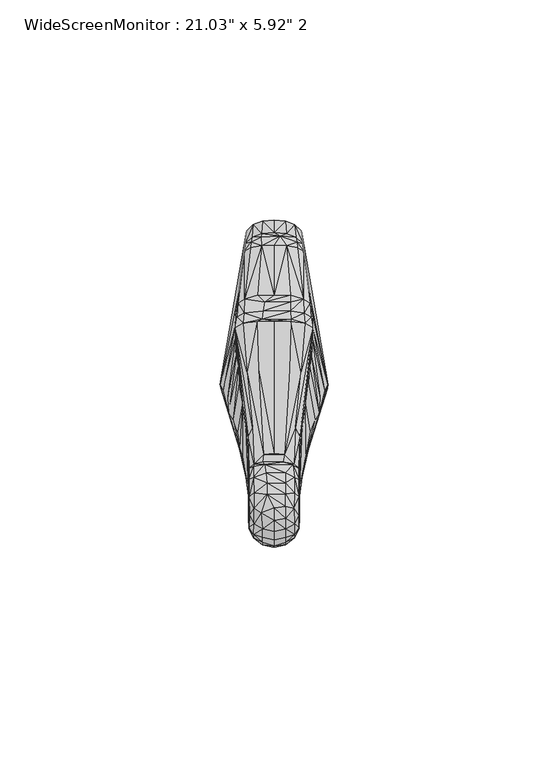
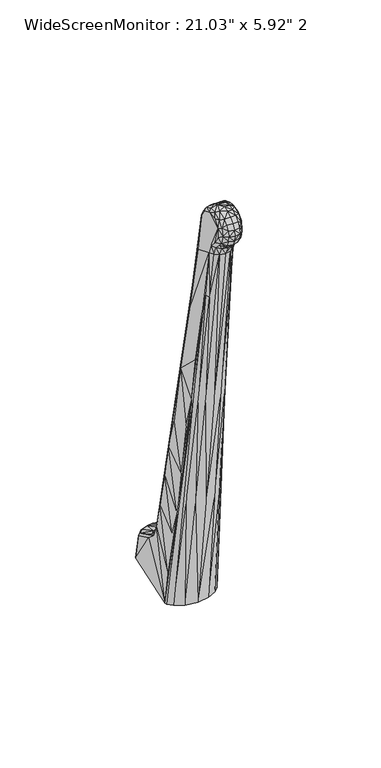
"""IFC4 building model written with IfcOpenShell, lengths in millimetres: furniture geometry."""

from ifc_helpers import new_model, si_unit, origin, place, context, project, spatial, triangles, source, transform, mapped, element, save


def furniture_ac01dfe3(model_context):
    return source(origin(), model_context, "Body", "Tessellation", [
        triangles([(-4.6220607, -2.2012503, 216.78833), (-2.6071259, -1.0012504, 220.0883284), (-4.5220609, 0.0987495, 219.4883287), (-4.6220607, -3.0012504, 212.8883318), (-2.6071259, -4.6012504, 212.9883257), (-2.6071259, -4.1012503, 215.6883245), (-3.0071259, 2.6987494, 221.8883276), (-4.5220609, 3.6987494, 221.288346), (-1.6071261, 6.8091473, 222.1883456), (-4.5220609, 7.2091467, 221.1883339), (-5.7220606, 6.3091472, 220.0883284), (-0.007126, 0.9987494, 221.7883337), (-0.007126, 3.7987493, 222.3883334), (-0.007126, -4.8012507, 215.7883365), (-0.007126, -5.2012501, 212.9883257), (-0.007126, -3.5012503, 218.2883293), (-2.6071259, -2.9012503, 218.0883233), (-0.007126, -1.5012503, 220.3883464), (2.5928738, -4.6012504, 212.9883257), (2.5928738, -4.1012503, 215.6883245), (2.5928738, -1.0012504, 220.0883284), (2.5928738, 1.3987497, 221.4883338), (2.5928738, -2.9012503, 218.0883233), (2.5928738, 4.0987497, 222.0883335), (4.5078085, 3.6987494, 221.288346), (2.5928738, 6.9091469, 221.8883276), (4.6078089, 0.0987495, 219.4883287), (4.6078089, -2.2012503, 216.78833), (4.6078089, -3.0012504, 212.8883318), (5.5078085, 2.0987494, 219.2883409), (5.7078087, 6.3091472, 220.0883284), (4.6078089, 7.2091467, 221.1883339), (5.7078087, -0.6012502, 215.9883425), (-4.6220607, 10.7091472, 219.6883347), (-5.7220606, 10.3091466, 218.4883352), (-4.6220607, 13.2091467, 216.3883362), (-5.7220606, 12.7091466, 214.7883249), (-4.5220609, 13.8195451, 214.1883433), (-1.6071261, 9.509146, 221.1883339), (-1.8071261, 11.7091463, 219.3883348), (-2.2071261, 13.6195436, 216.78833), (2.5928738, 9.509146, 220.988328), (2.5928738, 11.7091463, 219.2883409), (4.6078089, 10.7091472, 219.6883347), (4.3078087, 13.5195441, 216.3883362), (5.7078087, 10.3091466, 218.4883352), (5.7078087, 12.7091466, 214.7883249), (4.5078085, 13.8195451, 214.1883433), (-2.6071259, 14.2195433, 214.1883433), (1.9928738, 14.2195433, 214.1883433), (-12.3220608, 31.9299392, 8.3813527), (-12.0220598, 31.0299396, 8.3813527), (-10.3220603, 25.5299392, 56.9427452), (-11.6220615, 30.5299406, 23.8717011), (-8.9220611, 44.8507371, 38.1620511), (-8.1220606, 52.8611312, 27.6717008), (-6.2220607, 66.7715375, 8.3813527), (-8.7220614, 47.5507358, 32.062051), (-10.0220604, 28.9299406, 8.3813527), (-7.8220607, 17.2195431, 113.6848395), (-5.7220606, 26.7299409, 8.3813527), (-8.1220606, 21.8195439, 63.4330967), (-0.007126, 25.8299414, 8.3813527), (-4.6220607, 19.919544, 63.4330967), (5.7078087, 26.7299409, 8.3813527), (4.6078089, 19.919544, 63.4330967), (-0.007126, 19.0195445, 63.4330967), (10.007808, 28.9299406, 8.3813527), (8.1078082, 21.8195439, 63.4330967), (12.1078081, 31.0299396, 8.3813527), (7.8078089, 17.2195431, 113.6848395), (12.3078084, 31.9299392, 8.3813527), (10.3078079, 25.5299392, 56.9427452), (11.6078091, 30.5299406, 24.0717002), (6.2078089, 66.7715375, 8.3813527), (8.1078082, 52.8611312, 27.6717008), (8.807808, 47.5507358, 32.062051), (8.9078082, 44.8507371, 38.1620511), (-6.6220613, 63.8715329, 21.2717008), (-4.7220611, 68.2715323, 8.3813527), (-5.0220613, 65.3715367, 20.7717018), (-2.8071259, 66.1715333, 20.6717011), (-2.6071259, 69.0715334, 8.3813527), (-0.007126, 66.4715331, 20.6717011), (-0.007126, 69.2715348, 8.3813527), (2.5928738, 69.0715334, 8.3813527), (2.7928738, 66.1715333, 20.6717011), (4.7078087, 68.2715323, 8.3813527), (5.0078083, 65.3715367, 20.7717018), (6.6078089, 63.8715329, 21.2717008), (-10.6220613, 28.8299399, 45.0523963), (-8.822061, 42.05074, 50.7427512), (10.6078089, 28.8299399, 45.0523963), (8.807808, 42.05074, 50.7427512), (-6.7220609, 62.1715322, 23.7717003), (6.707809, 62.1715322, 23.7717003), (-5.3220611, 62.9715333, 24.7717006), (-5.222061, 64.2715312, 23.5716989), (-8.2220601, 50.3507375, 30.8620493), (-6.7220609, 51.3611319, 31.4620512), (-2.8071259, 63.4715346, 25.2716996), (-2.9071263, 65.3715367, 23.1717006), (1.3928739, 65.5715336, 23.4717028), (-0.007126, 63.571533, 25.5716995), (-3.707126, 52.2611314, 31.7620488), (-0.007126, 52.2611314, 32.062051), (2.7928738, 63.4715346, 25.2716996), (5.2078086, 64.2715312, 23.5716989), (5.3078087, 62.9715333, 24.7717006), (3.6928736, 52.2611314, 31.7620488), (6.707809, 51.3611319, 31.4620512), (8.2078094, 50.3507375, 30.8620493), (-7.0220607, 45.8507397, 38.4620509), (-8.422061, 47.250736, 33.7620494), (-8.1220606, 36.0403397, 84.0137854), (-7.1220608, 27.9299404, 128.3751856), (-6.1220611, 34.7403395, 99.4041432), (-5.9220609, 20.1195432, 175.1269376), (-4.9220606, 22.1195437, 168.8365876), (-6.822061, 48.1507355, 34.2620507), (-2.707126, 46.7507347, 37.5620491), (-3.907126, 46.150735, 39.1523976), (-2.507126, 48.5507384, 34.662049), (3.7928735, 48.5507384, 34.5620505), (3.8928734, 46.7507347, 37.3620499), (-0.007126, 46.250738, 39.1523976), (-2.2071261, 50.6507374, 32.8620476), (3.6928736, 50.6611337, 32.6620484), (6.8078086, 48.1507355, 34.2620507), (7.0078083, 45.8507397, 38.4620509), (3.8928734, 46.150735, 39.1523976), (8.4078086, 47.250736, 33.7620494), (6.1078087, 34.7403395, 99.4041432), (8.2078094, 36.0403397, 84.0137854), (4.9078087, 22.1195437, 168.8365876), (7.1078084, 27.9299404, 128.3751856), (5.9078085, 20.1195432, 175.1269376), (-8.6220607, 38.2403394, 67.9330991), (8.6078083, 38.2403394, 67.9330991), (-3.507126, 35.2403363, 98.4041498), (-0.007126, 36.1403381, 93.8041399), (3.4928736, 35.2403363, 98.4041498), (-9.32206, 23.9299415, 78.0234443), (-7.8220607, 17.4195433, 118.7848462), (9.4078089, 23.9299415, 78.0234443), (7.3078087, 15.6195442, 133.3655423), (-6.3220609, 14.8195442, 118.5848402), (-3.6071259, 13.2091467, 118.5848402), (3.5928738, 13.2091467, 118.5848402), (-0.007126, 12.5091463, 118.5848402), (6.3078085, 14.8195442, 118.5848402), (-7.9220608, 32.1403415, 98.9041465), (-8.3220608, 21.1195435, 103.6944973), (8.307809, 21.1195435, 103.6944973), (7.907809, 32.1403415, 98.9041465), (-2.4071262, 15.9195441, 204.6979887), (-0.007126, 16.1195432, 204.097989), (2.3928735, 15.9195441, 204.7979826), (-2.6071259, 3.2987491, 199.3076383), (-4.9220606, 7.6091467, 176.0269372), (2.5928738, 3.2987491, 199.3076383), (-0.007126, 2.6987494, 199.4076322), (4.9078087, 7.6091467, 176.0269372), (-6.5220606, 11.509146, 164.3365716), (-7.1220608, 15.419545, 140.365542), (-6.022061, 9.2091467, 176.426931), (6.0078086, 9.2091467, 176.426931), (6.5078082, 11.509146, 164.3365716), (-6.422061, 21.8195439, 161.8365788), (6.4078086, 21.8195439, 161.8365788), (-5.8220613, 6.5091469, 199.5076442), (5.8078089, 6.5091469, 199.5076442), (-5.9220609, 15.6195442, 195.8076339), (5.9078085, 15.6195442, 195.8076339), (-4.6220607, 4.609147, 199.5076442), (4.6078089, 4.609147, 199.5076442), (-2.6071259, 1.3987497, 203.4979712), (-4.6220607, 2.7987493, 203.8979831), (2.5928738, 1.3987497, 203.4979712), (-0.007126, 0.7987497, 203.4979712), (4.6078089, 2.7987493, 203.8979831), (-5.8220613, 4.7091469, 204.2979768), (5.8078089, 4.7091469, 204.2979768), (-5.8220613, 1.3987497, 207.7979812), (-5.7220606, -0.9012506, 211.4979734), (-5.7220606, -0.6012502, 215.9883425), (-4.6220607, 0.0987495, 206.6979939), (-4.6220607, -1.9012503, 208.7979747), (-2.707126, -1.2012506, 206.1979699), (-2.6071259, -2.7012503, 207.4979814), (-2.6071259, -4.1012503, 210.2979921), (-0.007126, -1.8012506, 205.9979821), (-0.007126, -3.4012504, 207.4979814), (-0.007126, -4.8012507, 210.2979921), (2.5928738, -2.7012503, 207.4979814), (2.5928738, -4.1012503, 210.2979921), (2.6928736, -1.2012506, 206.1979699), (4.6078089, -1.9012503, 208.7979747), (4.6078089, 0.0987495, 206.6979939), (5.8078089, 1.3987497, 207.7979812), (5.7078087, -0.9012506, 211.4979734), (-5.5220614, 2.0987494, 219.2883409)], [[1, 2, 3], [4, 5, 6], [3, 7, 8], [3, 2, 7], [8, 7, 9], [8, 10, 11], [8, 9, 10], [7, 2, 12], [7, 12, 13], [7, 13, 9], [5, 14, 6], [5, 15, 14], [6, 14, 16], [6, 16, 17], [17, 18, 2], [17, 16, 18], [2, 18, 12], [14, 15, 19], [14, 20, 16], [14, 19, 20], [12, 18, 21], [12, 22, 13], [12, 21, 22], [18, 16, 23], [18, 23, 21], [13, 24, 9], [13, 22, 24], [16, 20, 23], [24, 22, 25], [24, 25, 26], [24, 26, 9], [22, 21, 27], [22, 27, 25], [21, 23, 28], [21, 28, 27], [23, 20, 28], [20, 19, 29], [20, 29, 28], [25, 27, 30], [25, 30, 31], [25, 32, 26], [25, 31, 32], [27, 28, 33], [27, 33, 30], [29, 33, 28], [30, 33, 31], [11, 34, 35], [11, 10, 34], [35, 34, 36], [35, 36, 37], [37, 36, 38], [34, 10, 39], [34, 40, 41], [34, 39, 40], [34, 41, 36], [36, 41, 38], [10, 9, 39], [40, 39, 42], [40, 42, 43], [40, 43, 41], [39, 9, 26], [39, 26, 42], [26, 32, 42], [42, 32, 44], [42, 44, 43], [43, 44, 45], [43, 45, 41], [32, 31, 44], [44, 46, 45], [44, 31, 46], [47, 48, 45], [47, 45, 46], [38, 41, 49], [49, 41, 50], [41, 45, 50], [50, 45, 48], [51, 52, 53], [51, 53, 54], [51, 54, 55], [51, 56, 57], [51, 55, 58], [51, 58, 56], [52, 59, 60], [52, 60, 53], [59, 61, 62], [59, 62, 60], [61, 63, 64], [61, 64, 62], [63, 65, 66], [63, 67, 64], [63, 66, 67], [65, 68, 69], [65, 69, 66], [68, 70, 71], [68, 71, 69], [70, 72, 73], [70, 73, 71], [72, 74, 73], [72, 75, 76], [72, 76, 77], [72, 77, 78], [72, 78, 74], [57, 79, 80], [57, 56, 79], [80, 79, 81], [80, 81, 82], [80, 82, 83], [83, 82, 84], [83, 84, 85], [85, 84, 86], [86, 84, 87], [86, 87, 88], [88, 87, 89], [88, 89, 90], [88, 90, 75], [75, 90, 76], [54, 53, 91], [54, 91, 92], [54, 92, 55], [74, 93, 73], [74, 78, 94], [74, 94, 93], [56, 95, 79], [56, 58, 95], [76, 90, 96], [76, 96, 77], [95, 97, 98], [95, 98, 79], [95, 58, 99], [95, 100, 97], [95, 99, 100], [79, 98, 81], [97, 101, 98], [97, 100, 101], [98, 102, 81], [98, 101, 102], [81, 102, 82], [102, 101, 103], [102, 103, 82], [101, 104, 103], [101, 100, 105], [101, 105, 106], [101, 106, 104], [82, 103, 84], [84, 103, 87], [104, 107, 103], [104, 106, 107], [103, 107, 108], [103, 89, 87], [103, 108, 89], [107, 109, 108], [107, 106, 110], [107, 110, 111], [107, 111, 109], [89, 108, 90], [108, 109, 96], [108, 96, 90], [109, 111, 96], [96, 111, 112], [96, 112, 77], [55, 113, 114], [55, 114, 58], [55, 115, 116], [55, 117, 113], [55, 116, 118], [55, 119, 117], [55, 118, 119], [55, 92, 115], [58, 114, 99], [114, 113, 120], [114, 120, 99], [99, 120, 100], [113, 121, 120], [113, 122, 121], [113, 117, 122], [120, 121, 123], [120, 123, 100], [121, 124, 123], [121, 125, 124], [121, 122, 126], [121, 126, 125], [123, 127, 100], [123, 124, 128], [123, 128, 127], [127, 105, 100], [127, 106, 105], [127, 110, 106], [127, 128, 110], [124, 125, 129], [124, 129, 111], [124, 111, 128], [125, 130, 129], [125, 126, 131], [125, 131, 130], [129, 130, 132], [129, 112, 111], [129, 132, 112], [130, 78, 132], [130, 131, 133], [130, 133, 78], [112, 132, 77], [132, 78, 77], [78, 134, 94], [78, 133, 135], [78, 136, 134], [78, 135, 137], [78, 137, 136], [110, 128, 111], [91, 53, 138], [91, 138, 92], [93, 94, 139], [93, 139, 73], [122, 117, 140], [122, 140, 141], [122, 141, 126], [126, 141, 131], [131, 141, 142], [131, 142, 133], [53, 143, 115], [53, 115, 138], [53, 144, 143], [53, 60, 144], [73, 139, 134], [73, 134, 145], [73, 145, 146], [73, 146, 71], [92, 138, 115], [94, 134, 139], [62, 64, 147], [62, 147, 60], [64, 67, 148], [64, 148, 147], [67, 66, 149], [67, 150, 148], [67, 149, 150], [66, 69, 151], [66, 151, 149], [69, 71, 151], [143, 152, 115], [143, 153, 152], [143, 144, 153], [145, 154, 146], [145, 134, 155], [145, 155, 154], [115, 152, 116], [134, 136, 155], [152, 153, 116], [117, 119, 156], [117, 156, 140], [140, 156, 157], [140, 157, 141], [141, 157, 142], [142, 157, 158], [142, 158, 133], [133, 158, 135], [155, 136, 154], [153, 144, 116], [154, 136, 146], [148, 150, 159], [148, 160, 147], [148, 159, 160], [150, 149, 161], [150, 162, 159], [150, 161, 162], [149, 151, 163], [149, 163, 161], [144, 60, 164], [144, 164, 165], [144, 165, 116], [60, 147, 166], [60, 166, 164], [147, 160, 166], [151, 71, 167], [151, 167, 163], [71, 146, 168], [71, 168, 167], [116, 169, 118], [116, 165, 169], [136, 137, 170], [136, 170, 146], [165, 164, 169], [146, 170, 168], [164, 171, 169], [164, 166, 171], [168, 170, 172], [168, 172, 167], [169, 173, 118], [169, 171, 173], [119, 118, 38], [119, 38, 156], [135, 158, 48], [135, 48, 137], [170, 137, 174], [170, 174, 172], [166, 160, 171], [160, 159, 175], [160, 175, 171], [163, 167, 172], [163, 176, 161], [163, 172, 176], [118, 173, 37], [118, 37, 38], [137, 47, 174], [137, 48, 47], [159, 162, 177], [159, 178, 175], [159, 177, 178], [162, 161, 179], [162, 180, 177], [162, 179, 180], [161, 176, 181], [161, 181, 179], [171, 182, 35], [171, 35, 37], [171, 37, 173], [171, 175, 182], [175, 178, 182], [176, 172, 183], [176, 183, 181], [172, 174, 47], [172, 47, 46], [172, 46, 183], [184, 185, 186], [184, 186, 182], [184, 187, 188], [184, 178, 187], [184, 188, 185], [184, 182, 178], [185, 188, 4], [185, 4, 186], [187, 178, 177], [187, 189, 188], [187, 177, 189], [188, 189, 190], [188, 190, 191], [188, 191, 4], [189, 177, 180], [189, 180, 192], [189, 192, 190], [190, 193, 191], [190, 192, 193], [191, 193, 194], [191, 194, 5], [191, 5, 4], [193, 192, 195], [193, 196, 194], [193, 195, 196], [194, 196, 19], [194, 15, 5], [194, 19, 15], [180, 179, 197], [180, 197, 192], [192, 197, 195], [196, 195, 198], [196, 198, 29], [196, 29, 19], [179, 181, 199], [179, 199, 197], [195, 197, 198], [197, 199, 198], [198, 199, 200], [198, 201, 29], [198, 200, 201], [181, 200, 199], [181, 183, 200], [201, 33, 29], [201, 200, 33], [200, 183, 33], [182, 186, 11], [182, 11, 35], [183, 46, 31], [183, 31, 33], [156, 158, 157], [156, 38, 49], [156, 49, 50], [156, 50, 158], [158, 50, 48], [186, 202, 11], [186, 1, 3], [186, 4, 1], [186, 3, 202], [202, 3, 8], [202, 8, 11], [1, 4, 6], [1, 6, 17], [1, 17, 2]], closed=False),
    ])


if __name__ == "__main__":
    model = new_model("IFC4")
    model_context = context("Model", 3, world=origin())
    ifc_project = project(units=[si_unit("LENGTHUNIT", "METRE", prefix="MILLI")], contexts=[model_context])
    site = spatial("IfcSite", under=ifc_project)
    building = spatial("IfcBuilding", under=site)
    placement = place(None, origin())
    furniture_shape = furniture_ac01dfe3(model_context)
    element("IfcFurniture", 1, ObjectType="WideScreenMonitor : 21.03\" x 5.92\" 2", at=placement, inside=building, context=model_context, shape_type="MappedRepresentation", body=[
        mapped(furniture_shape, transform((0.0, 0.0, 0.0), x_axis=(1.0, 0.0, 0.0), y_axis=(0.0, 1.0, 0.0), z_axis=(0.0, 0.0, 1.0))),
    ])
    save(model, "model.ifc")
